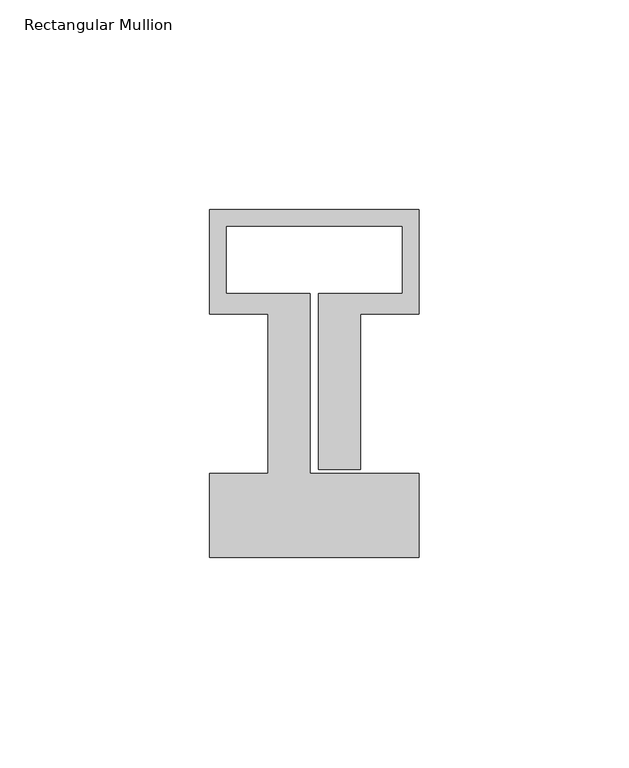
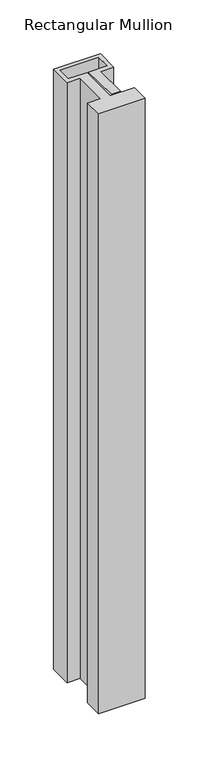
"""IFC4 building model written with IfcOpenShell, lengths in millimetres: member geometry, Rectangular Mullion."""

from ifc_helpers import new_model, si_unit, frame, origin, place, context, project, spatial, polyline, outline, extrude, source, transform, mapped, element, save


def rectangular_mullion_650b5398(model_context):
    return source(origin(), model_context, "Body", "SweptSolid", [
        extrude(outline(polyline([(-50.0, -58.0), (-50.0, -38.0), (-36.0, -38.0), (-36.0, 0.1), (-50.0, 0.1), (-50.0, 25.0), (0.0, 25.0), (0.0, 0.1), (-14.0, 0.1), (-14.0, -37.0), (-24.0, -37.0), (-24.0, 5.0), (-4.0, 5.0), (-4.0, 21.0), (-46.0, 21.0), (-46.0, 5.0), (-26.0, 5.0), (-26.0, -38.0), (0.0, -38.0), (0.0, -58.0), (-50.0, -58.0)])), frame((0.0, 0.0, -680.0), z_axis=(0.0, 0.0, 1.0), x_axis=(1.0, 0.0, 0.0)), (0.0, 0.0, 1.0), 680.0),
    ])


if __name__ == "__main__":
    model = new_model("IFC4")
    model_context = context("Model", 3, world=origin())
    ifc_project = project(units=[si_unit("LENGTHUNIT", "METRE", prefix="MILLI")], contexts=[model_context])
    site = spatial("IfcSite", under=ifc_project)
    building = spatial("IfcBuilding", under=site)
    placement = place(None, origin())
    rectangular_mullion_shape = rectangular_mullion_650b5398(model_context)
    element("IfcMember", 1, ObjectType="Rectangular Mullion", at=placement, inside=building, context=model_context, shape_type="MappedRepresentation", body=[
        mapped(rectangular_mullion_shape, transform((0.0, 0.0, 0.0), x_axis=(1.0, 0.0, 0.0), y_axis=(0.0, 1.0, 0.0), z_axis=(0.0, 0.0, 1.0))),
    ])
    save(model, "model.ifc")
